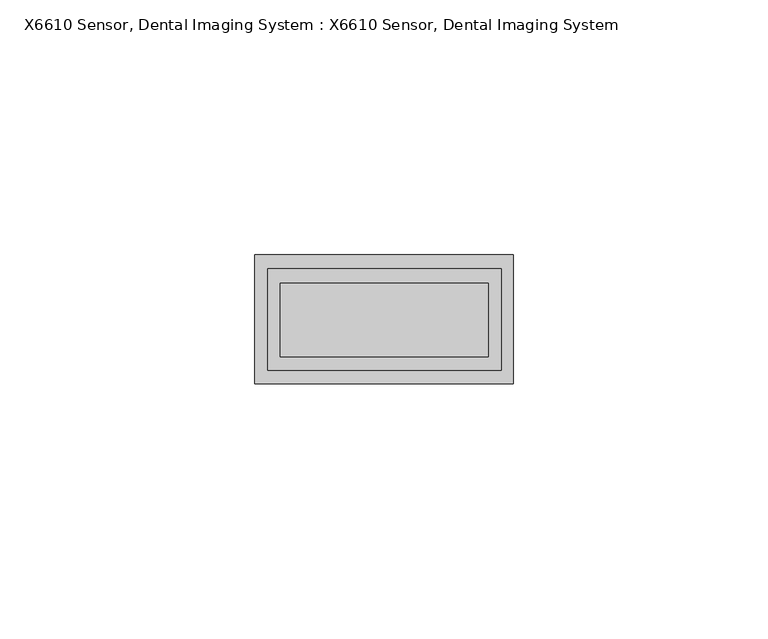
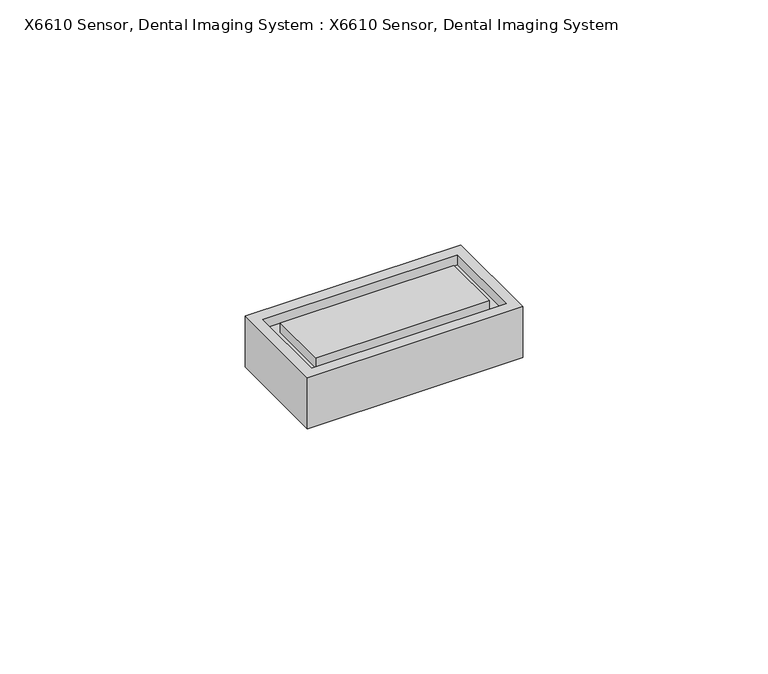
"""IFC4 building model written with IfcOpenShell, lengths in millimetres: proxy geometry, X6610 Sensor, Dental Imaging System : X6610 Sensor, Dental Imaging System."""

from ifc_helpers import new_model, si_unit, frame, origin, place, context, project, spatial, polyline, outline, extrude, faceted_brep, source, transform, mapped, element, save


def x6610_sensor_dental_imaging_system_x6610_sensor_dental_c57a1d08(model_context):
    return source(origin(), model_context, "Body", "SolidModel", [
        extrude(outline(polyline([(20.4811453, 7.060747), (20.4811453, -7.3741427), (-20.3347495, -7.3741427), (-20.3347495, 7.060747), (20.4811453, 7.060747)])), frame((0.0, 0.0, 10.2472794), z_axis=(0.0, 0.0, 1.0), x_axis=(1.0, 0.0, 0.0)), (0.0, 0.0, 1.0), 2.4527206),
        faceted_brep([(25.4, -12.7, 12.7), (-25.4, -12.7, 12.7), (-25.4, -12.7, 0.0), (25.4, -12.7, 0.0), (25.4, 12.7, 12.7), (25.4, 12.7, 0.0), (-25.4, 12.7, 0.0), (-25.4, 12.7, 12.7), (-22.8050147, 9.9039698, 12.7), (22.9818235, 9.9039698, 12.7), (22.9818235, -10.029614, 12.7), (-22.8050147, -10.029614, 12.7), (25.4, -5.9907412, 2.9524929), (25.4, -5.9907412, 7.2153756), (25.4, 6.0970829, 7.2153756), (25.4, 6.0970829, 2.9524929), (22.9818235, 9.9039698, 10.2472794), (-22.8050147, 9.9039698, 10.2472794), (-22.8050147, -10.029614, 10.2472794), (22.9818235, -10.029614, 10.2472794), (17.7337242, -5.9907412, 7.2153756), (17.7337242, -5.9907412, 2.9524929), (17.7337242, 6.0970829, 2.9524929), (17.7337242, 6.0970829, 7.2153756)], [[[0, 1, 2, 3]], [[4, 5, 6, 7]], [[1, 0, 4, 7], [8, 9, 10, 11]], [[2, 1, 7, 6]], [[3, 2, 6, 5]], [[0, 3, 5, 4], [12, 13, 14, 15]], [[16, 17, 18, 19]], [[17, 16, 9, 8]], [[18, 17, 8, 11]], [[19, 18, 11, 10]], [[16, 19, 10, 9]], [[20, 21, 22, 23]], [[21, 20, 13, 12]], [[22, 21, 12, 15]], [[23, 22, 15, 14]], [[20, 23, 14, 13]]]),
        faceted_brep([(-25.4, 12.7, 12.7), (-25.4, 0.0, 12.7), (-25.4, -12.7, 12.7), (25.4, -12.7, 12.7), (25.4, 12.7, 12.7), (-22.8050147, 9.9039698, 12.7), (22.9818235, 9.9039698, 12.7), (22.9818235, -10.029614, 12.7), (-22.8050147, -10.029614, 12.7), (-25.4, 12.7, 0.0), (25.4, 12.7, 0.0), (25.4, -12.7, 0.0), (-25.4, -12.7, 0.0), (-25.4, 0.0, 0.0), (25.4, -5.9907412, 2.9524929), (25.4, -5.9907412, 7.2153756), (25.4, 6.0970829, 7.2153756), (25.4, 6.0970829, 2.9524929), (22.9818235, 9.9039698, 10.2472794), (-22.8050147, 9.9039698, 10.2472794), (-22.8050147, -10.029614, 10.2472794), (22.9818235, -10.029614, 10.2472794), (17.7337242, -5.9907412, 7.2153756), (17.7337242, -5.9907412, 2.9524929), (17.7337242, 6.0970829, 2.9524929), (17.7337242, 6.0970829, 7.2153756)], [[[0, 1, 2, 3, 4], [5, 6, 7, 8]], [[9, 10, 11, 12, 13]], [[1, 0, 9, 13]], [[2, 1, 13, 12]], [[3, 2, 12, 11]], [[4, 3, 11, 10], [14, 15, 16, 17]], [[0, 4, 10, 9]], [[18, 19, 20, 21]], [[19, 18, 6, 5]], [[20, 19, 5, 8]], [[21, 20, 8, 7]], [[18, 21, 7, 6]], [[22, 23, 24, 25]], [[23, 22, 15, 14]], [[24, 23, 14, 17]], [[25, 24, 17, 16]], [[22, 25, 16, 15]]]),
    ])


if __name__ == "__main__":
    model = new_model("IFC4")
    model_context = context("Model", 3, world=origin())
    ifc_project = project(units=[si_unit("LENGTHUNIT", "METRE", prefix="MILLI")], contexts=[model_context])
    site = spatial("IfcSite", under=ifc_project)
    building = spatial("IfcBuilding", under=site)
    placement = place(None, origin())
    x6610_sensor_dental_imaging_system_x6610_sensor_dental_shape = x6610_sensor_dental_imaging_system_x6610_sensor_dental_c57a1d08(model_context)
    element("IfcBuildingElementProxy", 1, Name="X6610 Sensor, Dental Imaging System : X6610 Sensor, Dental Imaging System", ObjectType="X6610 Sensor, Dental Imaging System : X6610 Sensor, Dental Imaging System", at=placement, inside=building, context=model_context, shape_type="MappedRepresentation", body=[
        mapped(x6610_sensor_dental_imaging_system_x6610_sensor_dental_shape, transform((0.0, 0.0, 0.0), x_axis=(1.0, 0.0, 0.0), y_axis=(0.0, 1.0, 0.0), z_axis=(0.0, 0.0, 1.0))),
    ])
    save(model, "model.ifc")
